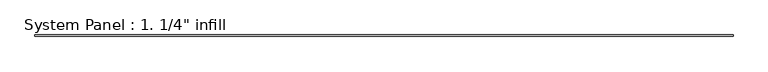
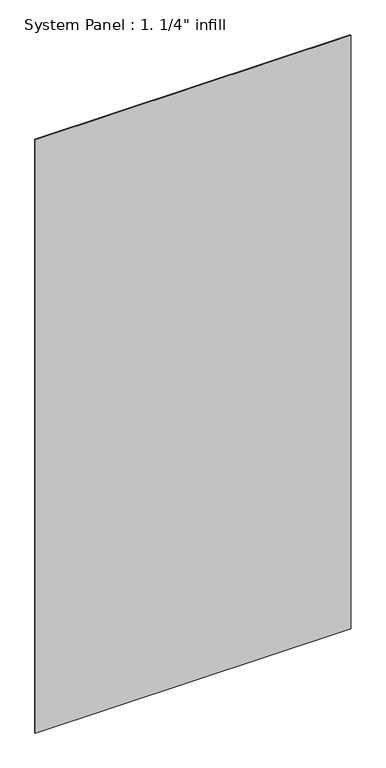
"""IFC4 building model written with IfcOpenShell, lengths in millimetres: plate geometry."""

from ifc_helpers import new_model, si_unit, origin, origin_with_axes, place, context, project, spatial, polyline, outline, extrude, source, transform, mapped, element, save


def plate_14787784(model_context):
    return source(origin(), model_context, "Body", "SweptSolid", [
        extrude(outline(polyline([(1508.125, -3.175), (-1508.125, -3.175), (-1508.125, 3.175), (1508.125, 3.175), (1508.125, -3.175)])), origin_with_axes(), (0.0, 0.0, 1.0), 6000.75),
    ])


if __name__ == "__main__":
    model = new_model("IFC4")
    model_context = context("Model", 3, world=origin())
    ifc_project = project(units=[si_unit("LENGTHUNIT", "METRE", prefix="MILLI")], contexts=[model_context])
    site = spatial("IfcSite", under=ifc_project)
    building = spatial("IfcBuilding", under=site)
    placement = place(None, origin())
    plate_shape = plate_14787784(model_context)
    element("IfcPlate", 1, ObjectType="System Panel : 1. 1/4\" infill", at=placement, inside=building, context=model_context, shape_type="MappedRepresentation", body=[
        mapped(plate_shape, transform((0.0, 0.0, 0.0), x_axis=(1.0, 0.0, 0.0), y_axis=(0.0, 1.0, 0.0), z_axis=(0.0, 0.0, 1.0))),
    ])
    save(model, "model.ifc")
